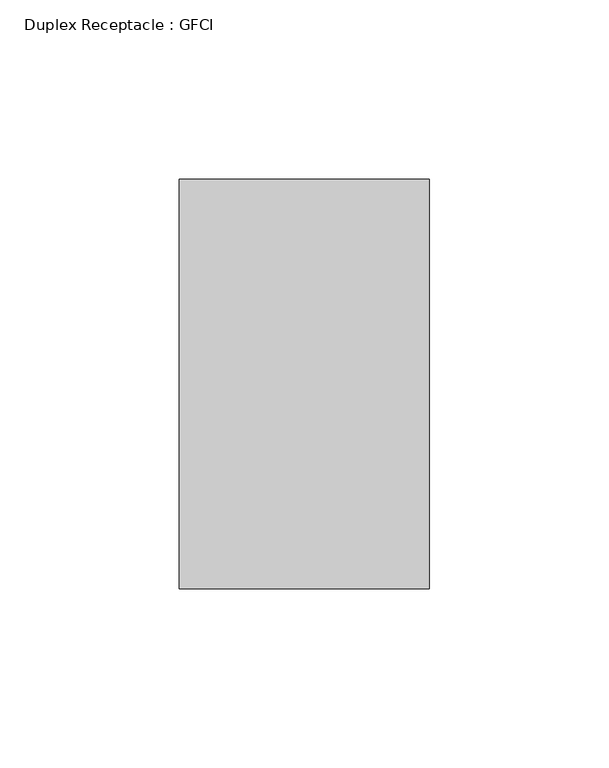
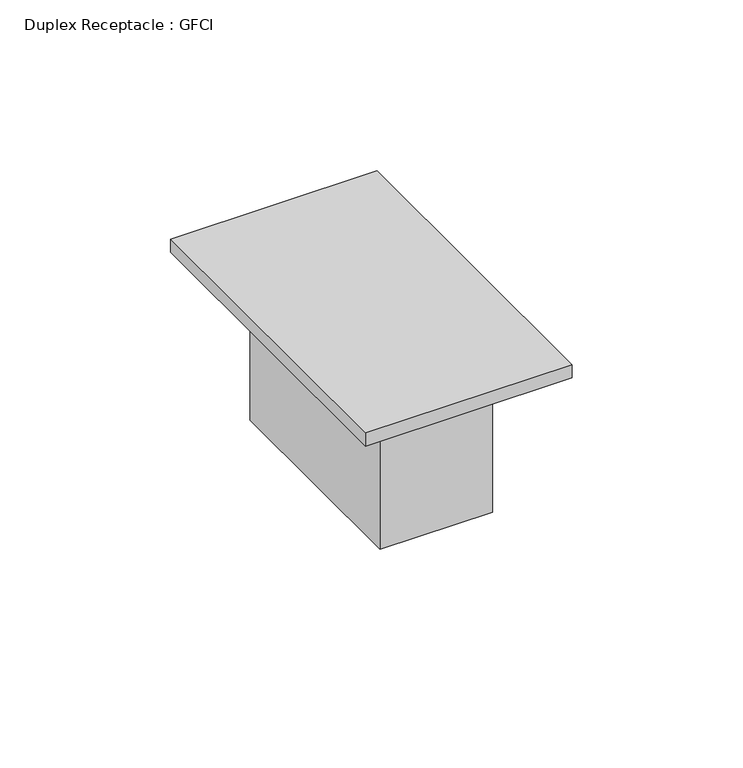
"""IFC4 building model written with IfcOpenShell, lengths in millimetres: proxy geometry, Duplex Receptacle : GFCI."""

from ifc_helpers import new_model, si_unit, frame, origin, origin_with_axes, place, context, project, spatial, polyline, outline, extrude, source, transform, mapped, element, save


def duplex_receptacle_gfci_10251bba(model_context):
    return source(origin(), model_context, "Body", "SweptSolid", [
        extrude(outline(polyline([(19.05, 38.1), (19.05, -38.1), (-19.05, -38.1), (-19.05, 38.1), (19.05, 38.1)])), frame((0.0, 0.0, -53.975), z_axis=(0.0, 0.0, 1.0), x_axis=(1.0, 0.0, 0.0)), (0.0, 0.0, 1.0), 53.975),
        extrude(outline(polyline([(34.925, 57.15), (34.925, -57.15), (-34.925, -57.15), (-34.925, 57.15), (34.925, 57.15)])), origin_with_axes(), (0.0, 0.0, 1.0), 4.7625),
    ])


if __name__ == "__main__":
    model = new_model("IFC4")
    model_context = context("Model", 3, world=origin())
    ifc_project = project(units=[si_unit("LENGTHUNIT", "METRE", prefix="MILLI")], contexts=[model_context])
    site = spatial("IfcSite", under=ifc_project)
    building = spatial("IfcBuilding", under=site)
    placement = place(None, origin())
    duplex_receptacle_gfci_shape = duplex_receptacle_gfci_10251bba(model_context)
    element("IfcBuildingElementProxy", 1, Name="Duplex Receptacle : GFCI", ObjectType="Duplex Receptacle : GFCI", at=placement, inside=building, context=model_context, shape_type="MappedRepresentation", body=[
        mapped(duplex_receptacle_gfci_shape, transform((0.0, 0.0, 0.0), x_axis=(1.0, 0.0, 0.0), y_axis=(0.0, 1.0, 0.0), z_axis=(0.0, 0.0, 1.0))),
    ])
    save(model, "model.ifc")
